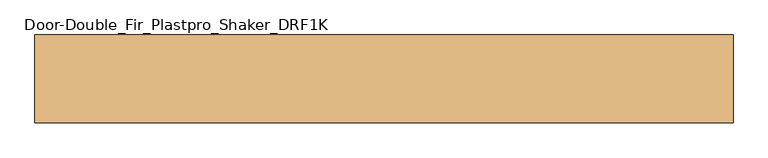
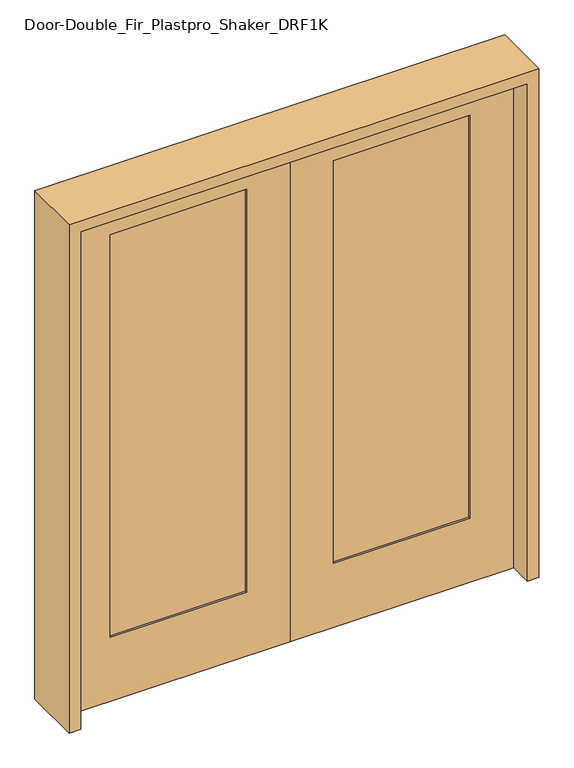
"""IFC4 building model written with IfcOpenShell, lengths in millimetres: door geometry, Door-Double_Fir_Plastpro_Shaker_DRF1K."""

from ifc_helpers import new_model, si_unit, frame, origin, place, context, project, spatial, polyline, outline, extrude, source, transform, mapped, element, save


def door_double_fir_plastpro_shaker_drf1k_f45d0077(model_context):
    return source(origin(), model_context, "Body", "SweptSolid", [
        extrude(outline(polyline([(2032.0, 0.0), (2032.0, -863.6), (0.0, -863.6), (0.0, 0.0), (2032.0, 0.0)]), holes=[polyline([(1905.0, -695.325), (1905.0, -168.275), (260.35, -168.275), (260.35, -695.325), (1905.0, -695.325)])]), frame((0.0, -22.225, 0.0), z_axis=(0.0, 1.0, 0.0), x_axis=(0.0, 0.0, 1.0)), (0.0, 0.0, 1.0), 44.45),
        extrude(outline(polyline([(-695.325, 12.7), (-168.275, 12.7), (-168.275, -14.2875), (-695.325, -14.2875), (-695.325, 12.7)])), frame((0.0, 0.0, 260.35), z_axis=(0.0, 0.0, 1.0), x_axis=(1.0, 0.0, 0.0)), (0.0, 0.0, 1.0), 1644.65),
        extrude(outline(polyline([(2032.0, 0.0), (0.0, 0.0), (0.0, 863.6), (2032.0, 863.6), (2032.0, 0.0)]), holes=[polyline([(1905.0, 695.325), (260.35, 695.325), (260.35, 168.275), (1905.0, 168.275), (1905.0, 695.325)])]), frame((0.0, -22.225, 0.0), z_axis=(0.0, 1.0, 0.0), x_axis=(0.0, 0.0, 1.0)), (0.0, 0.0, 1.0), 44.45),
        extrude(outline(polyline([(695.325, 12.7), (695.325, -14.2875), (168.275, -14.2875), (168.275, 12.7), (695.325, 12.7)])), frame((0.0, 0.0, 260.35), z_axis=(0.0, 0.0, 1.0), x_axis=(1.0, 0.0, 0.0)), (0.0, 0.0, 1.0), 1644.65),
        extrude(outline(polyline([(0.0, -908.05), (0.0, -863.6), (2032.0, -863.6), (2032.0, 863.6), (0.0, 863.6), (0.0, 908.05), (2076.45, 908.05), (2076.45, -908.05), (0.0, -908.05)])), frame((0.0, -114.3, 0.0), z_axis=(0.0, 1.0, 0.0), x_axis=(0.0, 0.0, 1.0)), (0.0, 0.0, 1.0), 228.6),
    ])


if __name__ == "__main__":
    model = new_model("IFC4")
    model_context = context("Model", 3, world=origin())
    ifc_project = project(units=[si_unit("LENGTHUNIT", "METRE", prefix="MILLI")], contexts=[model_context])
    site = spatial("IfcSite", under=ifc_project)
    building = spatial("IfcBuilding", under=site)
    placement = place(None, origin())
    door_double_fir_plastpro_shaker_drf1k_shape = door_double_fir_plastpro_shaker_drf1k_f45d0077(model_context)
    element("IfcDoor", 1, ObjectType="Door-Double_Fir_Plastpro_Shaker_DRF1K", at=placement, inside=building, context=model_context, shape_type="MappedRepresentation", body=[
        mapped(door_double_fir_plastpro_shaker_drf1k_shape, transform((0.0, 0.0, 0.0), x_axis=(1.0, 0.0, 0.0), y_axis=(0.0, 1.0, 0.0), z_axis=(0.0, 0.0, 1.0))),
    ])
    save(model, "model.ifc")
